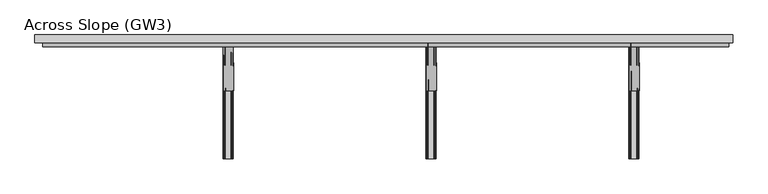
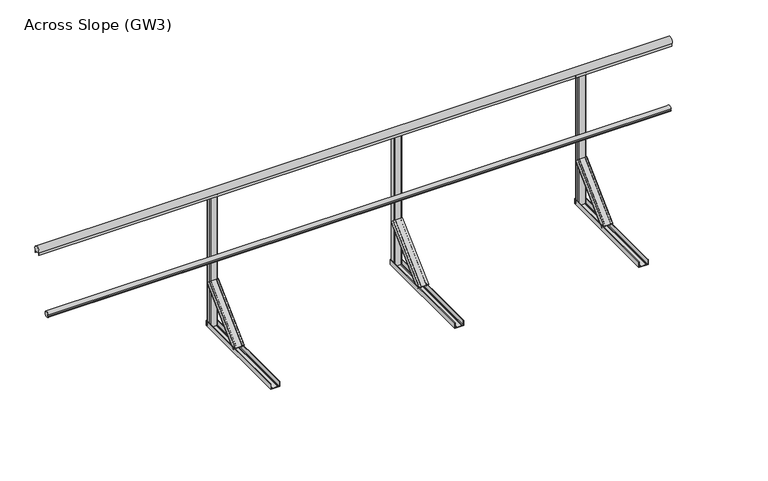
"""IFC4 building model written with IfcOpenShell, lengths in millimetres: railing geometry, Across Slope (GW3)."""

from ifc_helpers import new_model, si_unit, point, frame, frame_2d, origin, origin_with_axes, place, context, project, spatial, polyline, circle_curve, trimmed, segment, composite_curve, outline, extrude, source, transform, mapped, element, save
from ifc_brep_helpers import plane_surface, extruded_surface, advanced_brep


def across_slope_gw3_fcf28dba(model_context):
    return source(origin(), model_context, "Body", "SolidModel", [
        extrude(outline(composite_curve([segment(polyline([(727.7, 520.617273), (731.7, 520.617273), (731.7, 535.382727), (727.7, 535.382727)]), True, "CONTINUOUS"), segment(trimmed(circle_curve(frame_2d((746.287505, 528.0)), 20.0), [point((727.7, 535.382727))], [point((762.0, 540.3740657))], False, "CARTESIAN"), True, "CONTINUOUS"), segment(polyline([(762.0, 540.3740657), (762.0, 515.6259343)]), True, "CONTINUOUS"), segment(trimmed(circle_curve(frame_2d((746.287505, 528.0)), 20.0), [point((762.0, 515.6259343))], [point((727.7, 520.617273))], False, "CARTESIAN"), True, "CONTINUOUS")], self_intersect=False)), frame((-1180.0, 0.0, 0.0), z_axis=(1.0, 0.0, 0.0), x_axis=(0.0, 1.0, 0.0)), (0.0, 0.0, 1.0), 4470.0),
        extrude(outline(composite_curve([segment(polyline([(802.0, 1001.43534), (802.0, 983.0), (801.0, 983.0), (801.0, 998.0), (761.0, 998.0), (761.0, 983.0), (760.0, 983.0), (760.0, 1001.43534)]), True, "CONTINUOUS"), segment(trimmed(circle_curve(frame_2d((781.0, 1015.0)), 25.0), [point((760.0, 1001.43534))], [point((802.0, 1001.43534))], False, "CARTESIAN"), True, "CONTINUOUS")], self_intersect=False)), frame((-1230.0, 0.0, 0.0), z_axis=(1.0, 0.0, 0.0), x_axis=(0.0, 1.0, 0.0)), (0.0, 0.0, 1.0), 4545.0),
        extrude(outline(composite_curve([segment(polyline([(1327.0, 800.0), (1373.0, 800.0)]), True, "CONTINUOUS"), segment(trimmed(circle_curve(frame_2d((1373.0, 795.0)), 5.0), [point((1373.0, 800.0))], [point((1378.0, 795.0))], False, "CARTESIAN"), True, "CONTINUOUS"), segment(polyline([(1378.0, 795.0), (1378.0, 767.0)]), True, "CONTINUOUS"), segment(trimmed(circle_curve(frame_2d((1373.0, 767.0)), 5.0), [point((1378.0, 767.0))], [point((1373.0, 762.0))], False, "CARTESIAN"), True, "CONTINUOUS"), segment(polyline([(1373.0, 762.0), (1327.0, 762.0)]), True, "CONTINUOUS"), segment(trimmed(circle_curve(frame_2d((1327.0, 767.0)), 5.0), [point((1327.0, 762.0))], [point((1322.0, 767.0))], False, "CARTESIAN"), True, "CONTINUOUS"), segment(polyline([(1322.0, 767.0), (1322.0, 795.0)]), True, "CONTINUOUS"), segment(trimmed(circle_curve(frame_2d((1327.0, 795.0)), 5.0), [point((1322.0, 795.0))], [point((1327.0, 800.0))], False, "CARTESIAN"), True, "CONTINUOUS")], self_intersect=False)), origin_with_axes(), (0.0, 0.0, 1.0), 998.0),
        advanced_brep(
        [(1385.5, 443.7912606, 38.0), (1320.5, 443.7912606, 38.0), (1320.5, 469.6006581, 12.1906025), (1323.5, 469.6006581, 12.1906025), (1323.5, 445.9125809, 35.8786797), (1333.5, 445.9125809, 35.8786797), (1333.5, 447.6803479, 34.1109127), (1334.5, 447.6803479, 34.1109127), (1334.5, 445.9125809, 35.8786797), (1371.5, 445.9125809, 35.8786797), (1371.5, 447.6803479, 34.1109127), (1372.5, 447.6803479, 34.1109127), (1372.5, 445.9125809, 35.8786797), (1382.5, 445.9125809, 35.8786797), (1382.5, 469.6006581, 12.1906025), (1385.5, 469.6006581, 12.1906025), (1382.5, 761.9893121, 356.1980516), (1382.5, 787.7987096, 330.3886541), (1379.5, 787.7987096, 330.3886541), (1379.5, 764.1106324, 354.0767312), (1369.5, 764.1106324, 354.0767312), (1369.5, 765.8783994, 352.3089643), (1368.5, 765.8783994, 352.3089643), (1368.5, 764.1106324, 354.0767312), (1331.5, 764.1106324, 354.0767312), (1331.5, 765.8783994, 352.3089643), (1330.5, 765.8783994, 352.3089643), (1330.5, 764.1106324, 354.0767312), (1320.5, 764.1106324, 354.0767312), (1320.5, 787.7987096, 330.3886541), (1317.5, 787.7987096, 330.3886541), (1317.5, 761.9893121, 356.1980516)],
        [
            (0, 1),
            (1, 2),
            (2, 3, circle_curve(frame((1322.0, 469.6006581, 12.1906025), z_axis=(0.0, -0.7071067811865529, -0.7071067811865422), x_axis=(0.0, 0.7071067811865422, -0.7071067811865529)), 1.5)),
            (3, 4),
            (4, 5),
            (5, 6),
            (6, 7, circle_curve(frame((1334.0, 447.6803479, 34.1109127), z_axis=(0.0, -0.7071067811865529, -0.7071067811865422), x_axis=(0.0, 0.7071067811865422, -0.7071067811865529)), 0.5)),
            (7, 8),
            (8, 9),
            (9, 10),
            (10, 11, circle_curve(frame((1372.0, 447.6803479, 34.1109127), z_axis=(0.0, -0.7071067811865529, -0.7071067811865422), x_axis=(0.0, 0.7071067811865422, -0.7071067811865529)), 0.5)),
            (11, 12),
            (12, 13),
            (13, 14),
            (14, 15, circle_curve(frame((1384.0, 469.6006581, 12.1906025), z_axis=(0.0, -0.7071067811865529, -0.7071067811865422), x_axis=(0.0, 0.7071067811865422, -0.7071067811865529)), 1.5)),
            (15, 0),
            (16, 17),
            (17, 18, circle_curve(frame((1381.0, 787.7987096, 330.3886541), z_axis=(0.0, 0.7071067811865529, 0.7071067811865422), x_axis=(0.0, 0.7071067811865422, -0.7071067811865529)), 1.5)),
            (18, 19),
            (19, 20),
            (20, 21),
            (21, 22, circle_curve(frame((1369.0, 765.8783994, 352.3089643), z_axis=(0.0, 0.7071067811865529, 0.7071067811865422), x_axis=(0.0, 0.7071067811865422, -0.7071067811865529)), 0.5)),
            (22, 23),
            (23, 24),
            (24, 25),
            (25, 26, circle_curve(frame((1331.0, 765.8783994, 352.3089643), z_axis=(0.0, 0.7071067811865529, 0.7071067811865422), x_axis=(0.0, 0.7071067811865422, -0.7071067811865529)), 0.5)),
            (26, 27),
            (27, 28),
            (28, 29),
            (29, 30, circle_curve(frame((1319.0, 787.7987096, 330.3886541), z_axis=(0.0, 0.7071067811865529, 0.7071067811865422), x_axis=(0.0, 0.7071067811865422, -0.7071067811865529)), 1.5)),
            (30, 31),
            (31, 16),
            (16, 0),
            (15, 17),
            (14, 18),
            (13, 19),
            (12, 20),
            (11, 21),
            (10, 22),
            (9, 23),
            (8, 24),
            (7, 25),
            (6, 26),
            (5, 27),
            (4, 28),
            (3, 29),
            (2, 30),
            (1, 31),
        ],
        [
            plane_surface(frame((1353.0, 452.0113769, 29.7798837), z_axis=(0.0, -0.7071067811865528, -0.7071067811865424), x_axis=(0.0, 0.7071067811865424, -0.7071067811865528))),
            plane_surface(frame((1350.0, 770.2094284, 347.9779352), z_axis=(0.0, 0.7071067811865528, 0.7071067811865422), x_axis=(0.0, 0.7071067811865422, -0.7071067811865528))),
            plane_surface(frame((1382.5, 774.8940109, 343.2933528), z_axis=(0.9999777785184911, 0.004713940454846682, 0.004713940454842173), x_axis=(0.0, 0.7071067811865424, -0.7071067811865528))),
            extruded_surface(trimmed(circle_curve(frame((1384.0, 469.6006581, 12.1906025), z_axis=(0.0, 0.7071067811865529, 0.7071067811865422), x_axis=(0.0, 0.7071067811865422, -0.7071067811865529)), 1.5), [point((1385.5, 469.6006581, 12.1906025))], [point((1382.5, 469.6006581, 12.1906025))], True, "CARTESIAN"), (-3.0, 318.1980515000001, 318.1980516), 450.00999991159415),
            plane_surface(frame((1379.5, 775.954671, 342.2326926), z_axis=(-0.9999777785184913, -0.004713940454846682, -0.004713940454842174), x_axis=(0.0, -0.7071067811865425, 0.7071067811865528))),
            plane_surface(frame((1374.5, 764.1106324, 354.0767312), z_axis=(0.0, 0.7071067811865427, -0.7071067811865523), x_axis=(-1.0, 0.0, 0.0))),
            plane_surface(frame((1369.5, 764.9945159, 353.1928478), z_axis=(0.9999777785184911, 0.0047139404548466575, 0.0047139404548422), x_axis=(0.0, 0.7071067811865461, -0.7071067811865489))),
            extruded_surface(trimmed(circle_curve(frame((1372.0, 447.6803479, 34.1109127), z_axis=(0.0, 0.7071067811865529, 0.7071067811865422), x_axis=(0.0, 0.7071067811865422, -0.7071067811865529)), 0.5), [point((1372.5, 447.6803479, 34.1109127))], [point((1371.5, 447.6803479, 34.1109127))], True, "CARTESIAN"), (-3.0, 318.1980515, 318.1980516), 450.0099999115941),
            plane_surface(frame((1368.5, 764.9945159, 353.1928478), z_axis=(-0.9999777785184911, -0.004713940454846672, -0.004713940454842214), x_axis=(0.0, -0.7071067811865461, 0.7071067811865489))),
            plane_surface(frame((1350.0, 764.1106324, 354.0767312), z_axis=(0.0, 0.7071067811865427, -0.7071067811865523), x_axis=(-1.0, 0.0, 0.0))),
            plane_surface(frame((1331.5, 764.9945159, 353.1928478), z_axis=(0.9999777785184911, 0.0047139404548466645, 0.004713940454842207), x_axis=(0.0, 0.7071067811865461, -0.7071067811865489))),
            extruded_surface(trimmed(circle_curve(frame((1334.0, 447.6803479, 34.1109127), z_axis=(0.0, 0.7071067811865529, 0.7071067811865422), x_axis=(0.0, 0.7071067811865422, -0.7071067811865529)), 0.5), [point((1334.5, 447.6803479, 34.1109127))], [point((1333.5, 447.6803479, 34.1109127))], True, "CARTESIAN"), (-3.0, 318.1980515, 318.1980516), 450.0099999115941),
            plane_surface(frame((1330.5, 764.9945159, 353.1928478), z_axis=(-0.9999777785184911, -0.004713940454846691, -0.004713940454842178), x_axis=(0.0, -0.7071067811865419, 0.7071067811865531))),
            plane_surface(frame((1325.5, 764.1106324, 354.0767312), z_axis=(0.0, 0.7071067811865425, -0.7071067811865526), x_axis=(-1.0, 0.0, 0.0))),
            plane_surface(frame((1320.5, 775.954671, 342.2326926), z_axis=(0.9999777785184913, 0.00471394045484669, 0.004713940454842181), x_axis=(0.0, 0.7071067811865425, -0.7071067811865528))),
            extruded_surface(trimmed(circle_curve(frame((1322.0, 469.6006581, 12.1906025), z_axis=(0.0, 0.7071067811865529, 0.7071067811865422), x_axis=(0.0, 0.7071067811865422, -0.7071067811865529)), 1.5), [point((1323.5, 469.6006581, 12.1906025))], [point((1320.5, 469.6006581, 12.1906025))], True, "CARTESIAN"), (-3.0, 318.1980515000001, 318.1980516), 450.00999991159415),
            plane_surface(frame((1317.5, 774.8940109, 343.2933528), z_axis=(-0.9999777785184911, -0.0047139404548466905, -0.004713940454842179), x_axis=(0.0, -0.7071067811865421, 0.7071067811865529))),
            plane_surface(frame((1350.0, 761.9893121, 356.1980516), z_axis=(0.0, -0.707106781186543, 0.707106781186552), x_axis=(1.0, 0.0, 0.0))),
        ],
        [
            (0, [[1, 2, 3, 4, 5, 6, 7, 8, 9, 10, 11, 12, 13, 14, 15, 16]]),
            (1, [[17, 18, 19, 20, 21, 22, 23, 24, 25, 26, 27, 28, 29, 30, 31, 32]]),
            (2, [[33, -16, 34, -17]]),
            (3, [[-34, -15, 35, -18]]),
            (4, [[-35, -14, 36, -19]]),
            (5, [[-36, -13, 37, -20]]),
            (6, [[-37, -12, 38, -21]]),
            (7, [[-38, -11, 39, -22]]),
            (8, [[-39, -10, 40, -23]]),
            (9, [[-40, -9, 41, -24]]),
            (10, [[-41, -8, 42, -25]]),
            (11, [[-42, -7, 43, -26]]),
            (12, [[-43, -6, 44, -27]]),
            (13, [[-44, -5, 45, -28]]),
            (14, [[-45, -4, 46, -29]]),
            (15, [[-46, -3, 47, -30]]),
            (16, [[-47, -2, 48, -31]]),
            (17, [[-48, -1, -33, -32]]),
        ],
    ),
        extrude(outline(composite_curve([segment(polyline([(0.0, 1382.5), (36.5, 1382.5)]), True, "CONTINUOUS"), segment(trimmed(circle_curve(frame_2d((36.5, 1381.0)), 1.5), [point((36.5, 1382.5))], [point((36.5, 1379.5))], False, "CARTESIAN"), True, "CONTINUOUS"), segment(polyline([(36.5, 1379.5), (3.0, 1379.5), (3.0, 1369.5), (5.5, 1369.5)]), True, "CONTINUOUS"), segment(trimmed(circle_curve(frame_2d((5.5, 1369.0)), 0.5), [point((5.5, 1369.5))], [point((5.5, 1368.5))], False, "CARTESIAN"), True, "CONTINUOUS"), segment(polyline([(5.5, 1368.5), (3.0, 1368.5), (3.0, 1331.5), (5.5, 1331.5)]), True, "CONTINUOUS"), segment(trimmed(circle_curve(frame_2d((5.5, 1331.0)), 0.5), [point((5.5, 1331.5))], [point((5.5, 1330.5))], False, "CARTESIAN"), True, "CONTINUOUS"), segment(polyline([(5.5, 1330.5), (3.0, 1330.5), (3.0, 1320.5), (36.5, 1320.5)]), True, "CONTINUOUS"), segment(trimmed(circle_curve(frame_2d((36.5, 1319.0)), 1.5), [point((36.5, 1320.5))], [point((36.5, 1317.5))], False, "CARTESIAN"), True, "CONTINUOUS"), segment(polyline([(36.5, 1317.5), (0.0, 1317.5), (0.0, 1382.5)]), True, "CONTINUOUS")], self_intersect=False)), frame((0.0, 0.0, 0.0), z_axis=(0.0, 1.0, 0.0), x_axis=(0.0, 0.0, 1.0)), (0.0, 0.0, 1.0), 800.0),
        extrude(outline(composite_curve([segment(polyline([(2649.0, 800.0), (2695.0, 800.0)]), True, "CONTINUOUS"), segment(trimmed(circle_curve(frame_2d((2695.0, 795.0)), 5.0), [point((2695.0, 800.0))], [point((2700.0, 795.0))], False, "CARTESIAN"), True, "CONTINUOUS"), segment(polyline([(2700.0, 795.0), (2700.0, 767.0)]), True, "CONTINUOUS"), segment(trimmed(circle_curve(frame_2d((2695.0, 767.0)), 5.0), [point((2700.0, 767.0))], [point((2695.0, 762.0))], False, "CARTESIAN"), True, "CONTINUOUS"), segment(polyline([(2695.0, 762.0), (2649.0, 762.0)]), True, "CONTINUOUS"), segment(trimmed(circle_curve(frame_2d((2649.0, 767.0)), 5.0), [point((2649.0, 762.0))], [point((2644.0, 767.0))], False, "CARTESIAN"), True, "CONTINUOUS"), segment(polyline([(2644.0, 767.0), (2644.0, 795.0)]), True, "CONTINUOUS"), segment(trimmed(circle_curve(frame_2d((2649.0, 795.0)), 5.0), [point((2644.0, 795.0))], [point((2649.0, 800.0))], False, "CARTESIAN"), True, "CONTINUOUS")], self_intersect=False)), origin_with_axes(), (0.0, 0.0, 1.0), 998.0),
        advanced_brep(
        [(2707.5, 443.7912606, 38.0), (2642.5, 443.7912606, 38.0), (2642.5, 469.6006581, 12.1906025), (2645.5, 469.6006581, 12.1906025), (2645.5, 445.9125809, 35.8786797), (2655.5, 445.9125809, 35.8786797), (2655.5, 447.6803479, 34.1109127), (2656.5, 447.6803479, 34.1109127), (2656.5, 445.9125809, 35.8786797), (2693.5, 445.9125809, 35.8786797), (2693.5, 447.6803479, 34.1109127), (2694.5, 447.6803479, 34.1109127), (2694.5, 445.9125809, 35.8786797), (2704.5, 445.9125809, 35.8786797), (2704.5, 469.6006581, 12.1906025), (2707.5, 469.6006581, 12.1906025), (2704.5, 761.9893121, 356.1980516), (2704.5, 787.7987096, 330.3886541), (2701.5, 787.7987096, 330.3886541), (2701.5, 764.1106324, 354.0767312), (2691.5, 764.1106324, 354.0767312), (2691.5, 765.8783994, 352.3089643), (2690.5, 765.8783994, 352.3089643), (2690.5, 764.1106324, 354.0767312), (2653.5, 764.1106324, 354.0767312), (2653.5, 765.8783994, 352.3089643), (2652.5, 765.8783994, 352.3089643), (2652.5, 764.1106324, 354.0767312), (2642.5, 764.1106324, 354.0767312), (2642.5, 787.7987096, 330.3886541), (2639.5, 787.7987096, 330.3886541), (2639.5, 761.9893121, 356.1980516)],
        [
            (0, 1),
            (1, 2),
            (2, 3, circle_curve(frame((2644.0, 469.6006581, 12.1906025), z_axis=(0.0, -0.7071067811865529, -0.7071067811865422), x_axis=(0.0, 0.7071067811865422, -0.7071067811865529)), 1.5)),
            (3, 4),
            (4, 5),
            (5, 6),
            (6, 7, circle_curve(frame((2656.0, 447.6803479, 34.1109127), z_axis=(0.0, -0.7071067811865529, -0.7071067811865422), x_axis=(0.0, 0.7071067811865422, -0.7071067811865529)), 0.5)),
            (7, 8),
            (8, 9),
            (9, 10),
            (10, 11, circle_curve(frame((2694.0, 447.6803479, 34.1109127), z_axis=(0.0, -0.7071067811865529, -0.7071067811865422), x_axis=(0.0, 0.7071067811865422, -0.7071067811865529)), 0.5)),
            (11, 12),
            (12, 13),
            (13, 14),
            (14, 15, circle_curve(frame((2706.0, 469.6006581, 12.1906025), z_axis=(0.0, -0.7071067811865529, -0.7071067811865422), x_axis=(0.0, 0.7071067811865422, -0.7071067811865529)), 1.5)),
            (15, 0),
            (16, 17),
            (17, 18, circle_curve(frame((2703.0, 787.7987096, 330.3886541), z_axis=(0.0, 0.7071067811865529, 0.7071067811865422), x_axis=(0.0, 0.7071067811865422, -0.7071067811865529)), 1.5)),
            (18, 19),
            (19, 20),
            (20, 21),
            (21, 22, circle_curve(frame((2691.0, 765.8783994, 352.3089643), z_axis=(0.0, 0.7071067811865529, 0.7071067811865422), x_axis=(0.0, 0.7071067811865422, -0.7071067811865529)), 0.5)),
            (22, 23),
            (23, 24),
            (24, 25),
            (25, 26, circle_curve(frame((2653.0, 765.8783994, 352.3089643), z_axis=(0.0, 0.7071067811865529, 0.7071067811865422), x_axis=(0.0, 0.7071067811865422, -0.7071067811865529)), 0.5)),
            (26, 27),
            (27, 28),
            (28, 29),
            (29, 30, circle_curve(frame((2641.0, 787.7987096, 330.3886541), z_axis=(0.0, 0.7071067811865529, 0.7071067811865422), x_axis=(0.0, 0.7071067811865422, -0.7071067811865529)), 1.5)),
            (30, 31),
            (31, 16),
            (16, 0),
            (15, 17),
            (14, 18),
            (13, 19),
            (12, 20),
            (11, 21),
            (10, 22),
            (9, 23),
            (8, 24),
            (7, 25),
            (6, 26),
            (5, 27),
            (4, 28),
            (3, 29),
            (2, 30),
            (1, 31),
        ],
        [
            plane_surface(frame((2675.0, 452.0113769, 29.7798837), z_axis=(0.0, -0.7071067811865528, -0.7071067811865424), x_axis=(0.0, 0.7071067811865424, -0.7071067811865528))),
            plane_surface(frame((2672.0, 770.2094284, 347.9779352), z_axis=(0.0, 0.7071067811865528, 0.7071067811865422), x_axis=(0.0, 0.7071067811865422, -0.7071067811865528))),
            plane_surface(frame((2704.5, 774.8940109, 343.2933528), z_axis=(0.9999777785184912, 0.004713940454838001, 0.004713940454842175), x_axis=(0.0, 0.7071067811865424, -0.7071067811865528))),
            extruded_surface(trimmed(circle_curve(frame((2706.0, 469.6006581, 12.1906025), z_axis=(0.0, 0.7071067811865529, 0.7071067811865422), x_axis=(0.0, 0.7071067811865422, -0.7071067811865529)), 1.5), [point((2707.5, 469.6006581, 12.1906025))], [point((2704.5, 469.6006581, 12.1906025))], True, "CARTESIAN"), (-3.0, 318.1980515000001, 318.1980516), 450.00999991159415),
            plane_surface(frame((2701.5, 775.954671, 342.2326927), z_axis=(-0.9999777785184913, -0.0047139404548379995, -0.004713940454842174), x_axis=(0.0, -0.7071067811865425, 0.7071067811865528))),
            plane_surface(frame((2696.5, 764.1106324, 354.0767312), z_axis=(0.0, 0.7071067811865427, -0.7071067811865523), x_axis=(-1.0, 0.0, 0.0))),
            plane_surface(frame((2691.5, 764.9945159, 353.1928478), z_axis=(0.9999777785184911, 0.004713940454837976, 0.0047139404548422), x_axis=(0.0, 0.7071067811865461, -0.7071067811865489))),
            extruded_surface(trimmed(circle_curve(frame((2694.0, 447.6803479, 34.1109127), z_axis=(0.0, 0.7071067811865529, 0.7071067811865422), x_axis=(0.0, 0.7071067811865422, -0.7071067811865529)), 0.5), [point((2694.5, 447.6803479, 34.1109127))], [point((2693.5, 447.6803479, 34.1109127))], True, "CARTESIAN"), (-3.0, 318.1980515, 318.1980516), 450.0099999115941),
            plane_surface(frame((2690.5, 764.9945159, 353.1928478), z_axis=(-0.9999777785184911, -0.00471394045483799, -0.004713940454842214), x_axis=(0.0, -0.7071067811865461, 0.7071067811865489))),
            plane_surface(frame((2672.0, 764.1106324, 354.0767312), z_axis=(0.0, 0.7071067811865427, -0.7071067811865523), x_axis=(-1.0, 0.0, 0.0))),
            plane_surface(frame((2653.5, 764.9945159, 353.1928478), z_axis=(0.9999777785184911, 0.004713940454837982, 0.004713940454842207), x_axis=(0.0, 0.7071067811865461, -0.7071067811865489))),
            extruded_surface(trimmed(circle_curve(frame((2656.0, 447.6803479, 34.1109127), z_axis=(0.0, 0.7071067811865529, 0.7071067811865422), x_axis=(0.0, 0.7071067811865422, -0.7071067811865529)), 0.5), [point((2656.5, 447.6803479, 34.1109127))], [point((2655.5, 447.6803479, 34.1109127))], True, "CARTESIAN"), (-3.0, 318.1980515, 318.1980516), 450.0099999115941),
            plane_surface(frame((2652.5, 764.9945159, 353.1928478), z_axis=(-0.9999777785184911, -0.004713940454838009, -0.004713940454842178), x_axis=(0.0, -0.7071067811865419, 0.7071067811865531))),
            plane_surface(frame((2647.5, 764.1106324, 354.0767312), z_axis=(0.0, 0.7071067811865425, -0.7071067811865526), x_axis=(-1.0, 0.0, 0.0))),
            plane_surface(frame((2642.5, 775.954671, 342.2326927), z_axis=(0.9999777785184913, 0.004713940454838007, 0.004713940454842181), x_axis=(0.0, 0.7071067811865425, -0.7071067811865528))),
            extruded_surface(trimmed(circle_curve(frame((2644.0, 469.6006581, 12.1906025), z_axis=(0.0, 0.7071067811865529, 0.7071067811865422), x_axis=(0.0, 0.7071067811865422, -0.7071067811865529)), 1.5), [point((2645.5, 469.6006581, 12.1906025))], [point((2642.5, 469.6006581, 12.1906025))], True, "CARTESIAN"), (-3.0, 318.1980515000001, 318.1980516), 450.00999991159415),
            plane_surface(frame((2639.5, 774.8940109, 343.2933528), z_axis=(-0.9999777785184911, -0.004713940454838008, -0.00471394045484218), x_axis=(0.0, -0.7071067811865421, 0.7071067811865529))),
            plane_surface(frame((2672.0, 761.9893121, 356.1980516), z_axis=(0.0, -0.707106781186543, 0.707106781186552), x_axis=(1.0, 0.0, 0.0))),
        ],
        [
            (0, [[1, 2, 3, 4, 5, 6, 7, 8, 9, 10, 11, 12, 13, 14, 15, 16]]),
            (1, [[17, 18, 19, 20, 21, 22, 23, 24, 25, 26, 27, 28, 29, 30, 31, 32]]),
            (2, [[33, -16, 34, -17]]),
            (3, [[-34, -15, 35, -18]]),
            (4, [[-35, -14, 36, -19]]),
            (5, [[-36, -13, 37, -20]]),
            (6, [[-37, -12, 38, -21]]),
            (7, [[-38, -11, 39, -22]]),
            (8, [[-39, -10, 40, -23]]),
            (9, [[-40, -9, 41, -24]]),
            (10, [[-41, -8, 42, -25]]),
            (11, [[-42, -7, 43, -26]]),
            (12, [[-43, -6, 44, -27]]),
            (13, [[-44, -5, 45, -28]]),
            (14, [[-45, -4, 46, -29]]),
            (15, [[-46, -3, 47, -30]]),
            (16, [[-47, -2, 48, -31]]),
            (17, [[-48, -1, -33, -32]]),
        ],
    ),
        extrude(outline(composite_curve([segment(polyline([(0.0, 2704.5), (36.5, 2704.5)]), True, "CONTINUOUS"), segment(trimmed(circle_curve(frame_2d((36.5, 2703.0)), 1.5), [point((36.5, 2704.5))], [point((36.5, 2701.5))], False, "CARTESIAN"), True, "CONTINUOUS"), segment(polyline([(36.5, 2701.5), (3.0, 2701.5), (3.0, 2691.5), (5.5, 2691.5)]), True, "CONTINUOUS"), segment(trimmed(circle_curve(frame_2d((5.5, 2691.0)), 0.5), [point((5.5, 2691.5))], [point((5.5, 2690.5))], False, "CARTESIAN"), True, "CONTINUOUS"), segment(polyline([(5.5, 2690.5), (3.0, 2690.5), (3.0, 2653.5), (5.5, 2653.5)]), True, "CONTINUOUS"), segment(trimmed(circle_curve(frame_2d((5.5, 2653.0)), 0.5), [point((5.5, 2653.5))], [point((5.5, 2652.5))], False, "CARTESIAN"), True, "CONTINUOUS"), segment(polyline([(5.5, 2652.5), (3.0, 2652.5), (3.0, 2642.5), (36.5, 2642.5)]), True, "CONTINUOUS"), segment(trimmed(circle_curve(frame_2d((36.5, 2641.0)), 1.5), [point((36.5, 2642.5))], [point((36.5, 2639.5))], False, "CARTESIAN"), True, "CONTINUOUS"), segment(polyline([(36.5, 2639.5), (0.0, 2639.5), (0.0, 2704.5)]), True, "CONTINUOUS")], self_intersect=False)), frame((0.0, 0.0, 0.0), z_axis=(0.0, 1.0, 0.0), x_axis=(0.0, 0.0, 1.0)), (0.0, 0.0, 1.0), 800.0),
        extrude(outline(composite_curve([segment(polyline([(5.0, 800.0), (51.0, 800.0)]), True, "CONTINUOUS"), segment(trimmed(circle_curve(frame_2d((51.0, 795.0)), 5.0), [point((51.0, 800.0))], [point((56.0, 795.0))], False, "CARTESIAN"), True, "CONTINUOUS"), segment(polyline([(56.0, 795.0), (56.0, 767.0)]), True, "CONTINUOUS"), segment(trimmed(circle_curve(frame_2d((51.0, 767.0)), 5.0), [point((56.0, 767.0))], [point((51.0, 762.0))], False, "CARTESIAN"), True, "CONTINUOUS"), segment(polyline([(51.0, 762.0), (5.0, 762.0)]), True, "CONTINUOUS"), segment(trimmed(circle_curve(frame_2d((5.0, 767.0)), 5.0), [point((5.0, 762.0))], [point((0.0, 767.0))], False, "CARTESIAN"), True, "CONTINUOUS"), segment(polyline([(0.0, 767.0), (0.0, 795.0)]), True, "CONTINUOUS"), segment(trimmed(circle_curve(frame_2d((5.0, 795.0)), 5.0), [point((0.0, 795.0))], [point((5.0, 800.0))], False, "CARTESIAN"), True, "CONTINUOUS")], self_intersect=False)), origin_with_axes(), (0.0, 0.0, 1.0), 998.0),
        advanced_brep(
        [(63.5, 443.7912606, 38.0), (-1.5, 443.7912606, 38.0), (-1.5, 469.6006581, 12.1906025), (1.5, 469.6006581, 12.1906025), (1.5, 445.9125809, 35.8786797), (11.5, 445.9125809, 35.8786797), (11.5, 447.6803479, 34.1109127), (12.5, 447.6803479, 34.1109127), (12.5, 445.9125809, 35.8786797), (49.5, 445.9125809, 35.8786797), (49.5, 447.6803479, 34.1109127), (50.5, 447.6803479, 34.1109127), (50.5, 445.9125809, 35.8786797), (60.5, 445.9125809, 35.8786797), (60.5, 469.6006581, 12.1906025), (63.5, 469.6006581, 12.1906025), (60.5, 761.9893121, 356.1980515), (60.5, 787.7987096, 330.388654), (57.5, 787.7987096, 330.388654), (57.5, 764.1106324, 354.0767312), (47.5, 764.1106324, 354.0767312), (47.5, 765.8783994, 352.3089642), (46.5, 765.8783994, 352.3089642), (46.5, 764.1106324, 354.0767312), (9.5, 764.1106324, 354.0767312), (9.5, 765.8783994, 352.3089642), (8.5, 765.8783994, 352.3089642), (8.5, 764.1106324, 354.0767312), (-1.5, 764.1106324, 354.0767312), (-1.5, 787.7987096, 330.388654), (-4.5, 787.7987096, 330.388654), (-4.5, 761.9893121, 356.1980515)],
        [
            (0, 1),
            (1, 2),
            (2, 3, circle_curve(frame((0.0, 469.6006581, 12.1906025), z_axis=(0.0, -0.7071067811865529, -0.7071067811865422), x_axis=(0.0, 0.7071067811865422, -0.7071067811865529)), 1.5)),
            (3, 4),
            (4, 5),
            (5, 6),
            (6, 7, circle_curve(frame((12.0, 447.6803479, 34.1109127), z_axis=(0.0, -0.7071067811865529, -0.7071067811865422), x_axis=(0.0, 0.7071067811865422, -0.7071067811865529)), 0.5)),
            (7, 8),
            (8, 9),
            (9, 10),
            (10, 11, circle_curve(frame((50.0, 447.6803479, 34.1109127), z_axis=(0.0, -0.7071067811865529, -0.7071067811865422), x_axis=(0.0, 0.7071067811865422, -0.7071067811865529)), 0.5)),
            (11, 12),
            (12, 13),
            (13, 14),
            (14, 15, circle_curve(frame((62.0, 469.6006581, 12.1906025), z_axis=(0.0, -0.7071067811865529, -0.7071067811865422), x_axis=(0.0, 0.7071067811865422, -0.7071067811865529)), 1.5)),
            (15, 0),
            (16, 17),
            (17, 18, circle_curve(frame((59.0, 787.7987096, 330.388654), z_axis=(0.0, 0.7071067811865529, 0.7071067811865422), x_axis=(0.0, 0.7071067811865422, -0.7071067811865529)), 1.5)),
            (18, 19),
            (19, 20),
            (20, 21),
            (21, 22, circle_curve(frame((47.0, 765.8783994, 352.3089642), z_axis=(0.0, 0.7071067811865529, 0.7071067811865422), x_axis=(0.0, 0.7071067811865422, -0.7071067811865529)), 0.5)),
            (22, 23),
            (23, 24),
            (24, 25),
            (25, 26, circle_curve(frame((9.0, 765.8783994, 352.3089642), z_axis=(0.0, 0.7071067811865529, 0.7071067811865422), x_axis=(0.0, 0.7071067811865422, -0.7071067811865529)), 0.5)),
            (26, 27),
            (27, 28),
            (28, 29),
            (29, 30, circle_curve(frame((-3.0, 787.7987096, 330.388654), z_axis=(0.0, 0.7071067811865529, 0.7071067811865422), x_axis=(0.0, 0.7071067811865422, -0.7071067811865529)), 1.5)),
            (30, 31),
            (31, 16),
            (16, 0),
            (15, 17),
            (14, 18),
            (13, 19),
            (12, 20),
            (11, 21),
            (10, 22),
            (9, 23),
            (8, 24),
            (7, 25),
            (6, 26),
            (5, 27),
            (4, 28),
            (3, 29),
            (2, 30),
            (1, 31),
        ],
        [
            plane_surface(frame((31.0, 452.0113769, 29.7798837), z_axis=(0.0, -0.7071067811865528, -0.7071067811865424), x_axis=(0.0, 0.7071067811865424, -0.7071067811865528))),
            plane_surface(frame((28.0, 770.2094284, 347.9779352), z_axis=(0.0, 0.7071067811865528, 0.7071067811865422), x_axis=(0.0, 0.7071067811865422, -0.7071067811865528))),
            plane_surface(frame((60.5, 774.8940109, 343.2933528), z_axis=(0.9999777785184911, 0.004713940454845338, 0.004713940454842174), x_axis=(0.0, 0.7071067811865424, -0.7071067811865528))),
            extruded_surface(trimmed(circle_curve(frame((62.0, 469.6006581, 12.1906025), z_axis=(0.0, 0.7071067811865529, 0.7071067811865422), x_axis=(0.0, 0.7071067811865422, -0.7071067811865529)), 1.5), [point((63.5, 469.6006581, 12.1906025))], [point((60.5, 469.6006581, 12.1906025))], True, "CARTESIAN"), (-3.0, 318.1980515000001, 318.19805149999996), 450.00999984088503),
            plane_surface(frame((57.5, 775.954671, 342.2326926), z_axis=(-0.9999777785184913, -0.004713940454845338, -0.004713940454842175), x_axis=(0.0, -0.7071067811865425, 0.7071067811865528))),
            plane_surface(frame((52.5, 764.1106324, 354.0767312), z_axis=(0.0, 0.7071067811865427, -0.7071067811865523), x_axis=(-1.0, 0.0, 0.0))),
            plane_surface(frame((47.5, 764.9945159, 353.1928477), z_axis=(0.9999777785184911, 0.004713940454845314, 0.004713940454842201), x_axis=(0.0, 0.7071067811865461, -0.7071067811865489))),
            extruded_surface(trimmed(circle_curve(frame((50.0, 447.6803479, 34.1109127), z_axis=(0.0, 0.7071067811865529, 0.7071067811865422), x_axis=(0.0, 0.7071067811865422, -0.7071067811865529)), 0.5), [point((50.5, 447.6803479, 34.1109127))], [point((49.5, 447.6803479, 34.1109127))], True, "CARTESIAN"), (-3.0, 318.1980515, 318.1980515), 450.00999984088503),
            plane_surface(frame((46.5, 764.9945159, 353.1928477), z_axis=(-0.9999777785184911, -0.004713940454845328, -0.004713940454842215), x_axis=(0.0, -0.7071067811865461, 0.7071067811865489))),
            plane_surface(frame((28.0, 764.1106324, 354.0767312), z_axis=(0.0, 0.7071067811865427, -0.7071067811865523), x_axis=(-1.0, 0.0, 0.0))),
            plane_surface(frame((9.5, 764.9945159, 353.1928477), z_axis=(0.9999777785184911, 0.004713940454845321, 0.004713940454842208), x_axis=(0.0, 0.7071067811865461, -0.7071067811865489))),
            extruded_surface(trimmed(circle_curve(frame((12.0, 447.6803479, 34.1109127), z_axis=(0.0, 0.7071067811865529, 0.7071067811865422), x_axis=(0.0, 0.7071067811865422, -0.7071067811865529)), 0.5), [point((12.5, 447.6803479, 34.1109127))], [point((11.5, 447.6803479, 34.1109127))], True, "CARTESIAN"), (-3.0, 318.1980515, 318.1980515), 450.00999984088503),
            plane_surface(frame((8.5, 764.9945159, 353.1928477), z_axis=(-0.9999777785184911, -0.004713940454845348, -0.0047139404548421785), x_axis=(0.0, -0.7071067811865419, 0.7071067811865531))),
            plane_surface(frame((3.5, 764.1106324, 354.0767312), z_axis=(0.0, 0.7071067811865425, -0.7071067811865526), x_axis=(-1.0, 0.0, 0.0))),
            plane_surface(frame((-1.5, 775.954671, 342.2326926), z_axis=(0.9999777785184913, 0.004713940454845345, 0.004713940454842182), x_axis=(0.0, 0.7071067811865425, -0.7071067811865528))),
            extruded_surface(trimmed(circle_curve(frame((0.0, 469.6006581, 12.1906025), z_axis=(0.0, 0.7071067811865529, 0.7071067811865422), x_axis=(0.0, 0.7071067811865422, -0.7071067811865529)), 1.5), [point((1.5, 469.6006581, 12.1906025))], [point((-1.5, 469.6006581, 12.1906025))], True, "CARTESIAN"), (-3.0, 318.1980515000001, 318.19805149999996), 450.00999984088503),
            plane_surface(frame((-4.5, 774.8940109, 343.2933528), z_axis=(-0.9999777785184911, -0.004713940454845347, -0.00471394045484218), x_axis=(0.0, -0.7071067811865421, 0.7071067811865529))),
            plane_surface(frame((28.0, 761.9893121, 356.1980515), z_axis=(0.0, -0.707106781186543, 0.707106781186552), x_axis=(1.0, 0.0, 0.0))),
        ],
        [
            (0, [[1, 2, 3, 4, 5, 6, 7, 8, 9, 10, 11, 12, 13, 14, 15, 16]]),
            (1, [[17, 18, 19, 20, 21, 22, 23, 24, 25, 26, 27, 28, 29, 30, 31, 32]]),
            (2, [[33, -16, 34, -17]]),
            (3, [[-34, -15, 35, -18]]),
            (4, [[-35, -14, 36, -19]]),
            (5, [[-36, -13, 37, -20]]),
            (6, [[-37, -12, 38, -21]]),
            (7, [[-38, -11, 39, -22]]),
            (8, [[-39, -10, 40, -23]]),
            (9, [[-40, -9, 41, -24]]),
            (10, [[-41, -8, 42, -25]]),
            (11, [[-42, -7, 43, -26]]),
            (12, [[-43, -6, 44, -27]]),
            (13, [[-44, -5, 45, -28]]),
            (14, [[-45, -4, 46, -29]]),
            (15, [[-46, -3, 47, -30]]),
            (16, [[-47, -2, 48, -31]]),
            (17, [[-48, -1, -33, -32]]),
        ],
    ),
        extrude(outline(composite_curve([segment(polyline([(0.0, 60.5), (36.5, 60.5)]), True, "CONTINUOUS"), segment(trimmed(circle_curve(frame_2d((36.5, 59.0)), 1.5), [point((36.5, 60.5))], [point((36.5, 57.5))], False, "CARTESIAN"), True, "CONTINUOUS"), segment(polyline([(36.5, 57.5), (3.0, 57.5), (3.0, 47.5), (5.5, 47.5)]), True, "CONTINUOUS"), segment(trimmed(circle_curve(frame_2d((5.5, 47.0)), 0.5), [point((5.5, 47.5))], [point((5.5, 46.5))], False, "CARTESIAN"), True, "CONTINUOUS"), segment(polyline([(5.5, 46.5), (3.0, 46.5), (3.0, 9.5), (5.5, 9.5)]), True, "CONTINUOUS"), segment(trimmed(circle_curve(frame_2d((5.5, 9.0)), 0.5), [point((5.5, 9.5))], [point((5.5, 8.5))], False, "CARTESIAN"), True, "CONTINUOUS"), segment(polyline([(5.5, 8.5), (3.0, 8.5), (3.0, -1.5), (36.5, -1.5)]), True, "CONTINUOUS"), segment(trimmed(circle_curve(frame_2d((36.5, -3.0)), 1.5), [point((36.5, -1.5))], [point((36.5, -4.5))], False, "CARTESIAN"), True, "CONTINUOUS"), segment(polyline([(36.5, -4.5), (0.0, -4.5), (0.0, 60.5)]), True, "CONTINUOUS")], self_intersect=False)), frame((0.0, 0.0, 0.0), z_axis=(0.0, 1.0, 0.0), x_axis=(0.0, 0.0, 1.0)), (0.0, 0.0, 1.0), 800.0),
    ])


if __name__ == "__main__":
    model = new_model("IFC4")
    model_context = context("Model", 3, world=origin())
    ifc_project = project(units=[si_unit("LENGTHUNIT", "METRE", prefix="MILLI")], contexts=[model_context])
    site = spatial("IfcSite", under=ifc_project)
    building = spatial("IfcBuilding", under=site)
    placement = place(None, origin())
    across_slope_gw3_shape = across_slope_gw3_fcf28dba(model_context)
    element("IfcRailing", 1, ObjectType="Across Slope (GW3)", at=placement, inside=building, context=model_context, shape_type="MappedRepresentation", body=[
        mapped(across_slope_gw3_shape, transform((0.0, 0.0, 0.0), x_axis=(1.0, 0.0, 0.0), y_axis=(0.0, 1.0, 0.0), z_axis=(0.0, 0.0, 1.0))),
    ])
    save(model, "model.ifc")
